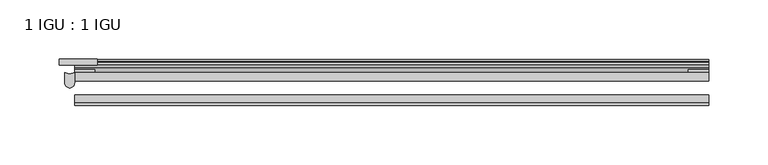
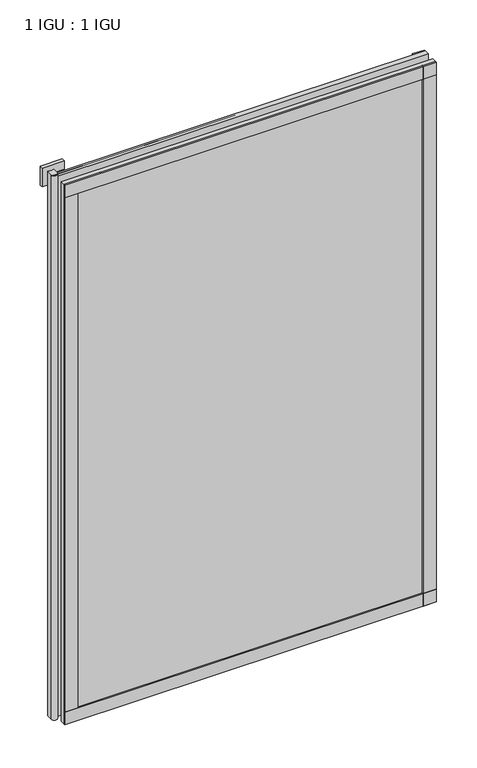
"""IFC4 building model written with IfcOpenShell, lengths in millimetres: plate geometry, 1 IGU : 1 IGU."""

import ifcopenshell
import ifcopenshell.guid

model = None  # the IFC model being written
_history = None  # IfcOwnerHistory: only IFC2X3 demands one
_inside = {}  # id of a spatial element -> (the spatial element, [elements in it])
_under = {}  # id of a project, library or spatial element -> (it, [spatial elements below it])
_declared = {}  # id of a project -> (the project, [libraries it declares])
_typed = {}  # id of a type object -> (the type object, [elements of that type])
_made_of = {}  # id of a material, layer set ... -> (it, [elements and type objects made of it])


def new_model(schema):
    """Start an empty IFC model of exactly this schema.

    Asked for "IFC4X3", IfcOpenShell would pick the latest addendum, in which some entities
    have other attributes; the version numbers below select the first issue.
    IFC2X3 requires an IfcOwnerHistory on every rooted entity: one is made here for all.
    """
    global model, _history
    if schema == "IFC4X3":
        model = ifcopenshell.file(schema_version=(4, 3, 0, 0))
    else:
        model = ifcopenshell.file(schema=schema)
    _inside.clear()
    _under.clear()
    _declared.clear()
    _typed.clear()
    _made_of.clear()
    _history = None
    if model.schema == "IFC2X3":
        org = make("IfcOrganization", Name="unknown")
        user = make(
            "IfcPersonAndOrganization",
            ThePerson=make("IfcPerson", FamilyName="unknown"),
            TheOrganization=org,
        )
        app = make(
            "IfcApplication",
            ApplicationDeveloper=org,
            Version="unknown",
            ApplicationFullName="unknown",
            ApplicationIdentifier="unknown",
        )
        _history = make(
            "IfcOwnerHistory",
            OwningUser=user,
            OwningApplication=app,
            ChangeAction="ADDED",
            CreationDate=0,
        )
    return model


def make(cls, **values):
    """One entity of the class cls with the attributes given. An attribute that is None is left unset."""
    return model.create_entity(
        cls, **{name: value for name, value in values.items() if value is not None}
    )


def rooted(cls, **values):
    """An entity with a GlobalId (a new one), such as an element, a storey or a relation."""
    return make(cls, GlobalId=ifcopenshell.guid.new(), OwnerHistory=_history, **values)


def si_unit(unit_type, name, prefix=None):
    """IfcSIUnit, for example si_unit("LENGTHUNIT", "METRE", prefix="MILLI")."""
    return make("IfcSIUnit", UnitType=unit_type, Prefix=prefix, Name=name)


def assignment(units):
    """IfcUnitAssignment: the units of a project."""
    return None if units is None else make("IfcUnitAssignment", Units=units)


def point(xyz):
    """IfcCartesianPoint."""
    return None if xyz is None else make("IfcCartesianPoint", Coordinates=xyz)


def direction(xyz):
    """IfcDirection."""
    return None if xyz is None else make("IfcDirection", DirectionRatios=xyz)


def frame(location, z_axis=None, x_axis=None):
    """IfcAxis2Placement3D, a coordinate frame: its origin and axes. An axis left out is left unset."""
    return make(
        "IfcAxis2Placement3D",
        Location=point(location),
        Axis=direction(z_axis),
        RefDirection=direction(x_axis),
    )


def frame_2d(location, x_axis=None):
    """IfcAxis2Placement2D, a coordinate frame in the plane: its origin and x axis."""
    return make(
        "IfcAxis2Placement2D", Location=point(location), RefDirection=direction(x_axis)
    )


def origin():
    """The frame at (0, 0, 0) with its axes left unset."""
    return frame((0.0, 0.0, 0.0))


def place(relative_to, where):
    """IfcLocalPlacement: puts the frame where relative to a parent placement (None: the world)."""
    return make(
        "IfcLocalPlacement", PlacementRelTo=relative_to, RelativePlacement=where
    )


def context(
    kind, dimensions, precision=None, world=None, true_north=None, identifier=None
):
    """IfcGeometricRepresentationContext, for example the 3D "Model" context."""
    return make(
        "IfcGeometricRepresentationContext",
        ContextIdentifier=identifier,
        ContextType=kind,
        CoordinateSpaceDimension=dimensions,
        Precision=precision,
        WorldCoordinateSystem=world,
        TrueNorth=true_north,
    )


def project(units=None, contexts=None):
    """IfcProject with its units and contexts."""
    return rooted(
        "IfcProject",
        Name="project",
        RepresentationContexts=contexts,
        UnitsInContext=assignment(units),
    )


def spatial(cls, under=None, at=None, **own):
    """A site, building, storey or space (cls), placed at a placement, below another one or the project."""
    s = rooted(cls, ObjectPlacement=at, **own)
    if under is not None:
        _under.setdefault(under.id(), (under, []))[1].append(s)
    return s


def polyline(points):
    """IfcPolyline through the points."""
    return make("IfcPolyline", Points=[point(p) for p in points])


def circle_curve(where, radius):
    """IfcCircle in the frame where."""
    return make("IfcCircle", Position=where, Radius=radius)


def trimmed(basis, trim1, trim2, sense, master):
    """IfcTrimmedCurve: the piece of a basis curve between two trims."""
    return make(
        "IfcTrimmedCurve",
        BasisCurve=basis,
        Trim1=trim1,
        Trim2=trim2,
        SenseAgreement=sense,
        MasterRepresentation=master,
    )


def segment(curve, same_sense, transition):
    """IfcCompositeCurveSegment."""
    return make(
        "IfcCompositeCurveSegment",
        Transition=transition,
        SameSense=same_sense,
        ParentCurve=curve,
    )


def composite_curve(segments, self_intersect=None):
    """IfcCompositeCurve: segments joined end to end."""
    return make("IfcCompositeCurve", Segments=segments, SelfIntersect=self_intersect)


def outline(outer, holes=None, kind="AREA"):
    """IfcArbitraryClosedProfileDef: a profile drawn as a closed curve; with holes, ...WithVoids."""
    if holes is None:
        return make("IfcArbitraryClosedProfileDef", ProfileType=kind, OuterCurve=outer)
    return make(
        "IfcArbitraryProfileDefWithVoids",
        ProfileType=kind,
        OuterCurve=outer,
        InnerCurves=holes,
    )


def extrude(swept, where, along, depth):
    """IfcExtrudedAreaSolid: the profile swept, set in the frame where, extruded along a direction by depth."""
    return make(
        "IfcExtrudedAreaSolid",
        SweptArea=swept,
        Position=where,
        ExtrudedDirection=direction(along),
        Depth=depth,
    )


def shape(context_of_items, identifier, shape_type, items):
    """IfcShapeRepresentation: the items that make up one representation, for example the "Body"."""
    return make(
        "IfcShapeRepresentation",
        ContextOfItems=context_of_items,
        RepresentationIdentifier=identifier,
        RepresentationType=shape_type,
        Items=items,
    )


def source(mapping_origin, context_of_items, identifier, shape_type, items):
    """IfcRepresentationMap: a shape defined once, which mapped items show again and again."""
    return make(
        "IfcRepresentationMap",
        MappingOrigin=mapping_origin,
        MappedRepresentation=shape(context_of_items, identifier, shape_type, items),
    )


def transform(
    local_origin,
    x_axis=None,
    y_axis=None,
    z_axis=None,
    scale=None,
    scale2=None,
    scale3=None,
    uniform=True,
):
    """IfcCartesianTransformationOperator3D, or its non-uniform kind. x_axis, y_axis, z_axis: its Axis1, 2, 3."""
    if uniform:
        return make(
            "IfcCartesianTransformationOperator3D",
            Axis1=direction(x_axis),
            Axis2=direction(y_axis),
            LocalOrigin=point(local_origin),
            Scale=scale,
            Axis3=direction(z_axis),
        )
    return make(
        "IfcCartesianTransformationOperator3DnonUniform",
        Axis1=direction(x_axis),
        Axis2=direction(y_axis),
        LocalOrigin=point(local_origin),
        Scale=scale,
        Axis3=direction(z_axis),
        Scale2=scale2,
        Scale3=scale3,
    )


def mapped(mapping_source, mapping_target):
    """IfcMappedItem: shows the shape of a source again, moved by a transform."""
    return make(
        "IfcMappedItem", MappingSource=mapping_source, MappingTarget=mapping_target
    )


def made_of(thing, what):
    """Note that an element or type object is made of a material, layer set ...; save() writes the relation."""
    if what is not None:
        _made_of.setdefault(what.id(), (what, []))[1].append(thing)
    return thing


def element(
    cls,
    number,
    at=None,
    inside=None,
    cuts=None,
    type_object=None,
    material=None,
    context=None,
    identifier="Body",
    shape_type=None,
    held_by="IfcProductDefinitionShape",
    body=None,
    shapes=None,
    **own,
):
    """One element of the class cls, such as IfcWall. Its Tag is "e" and its number.

    at: its placement. inside: the storey or other place that contains it. cuts: it is an
    opening in that element (IfcRelVoidsElement). A single representation is given by context,
    identifier, shape_type and body (its items); several are given by shapes. held_by: the class
    of the entity that holds the representations. save() writes the other relations.
    """
    e = rooted(cls, Tag="e%d" % number, ObjectPlacement=at, **own)
    if body is not None:
        shapes = [shape(context, identifier, shape_type, body)]
    if shapes is not None:
        e.Representation = make(held_by, Representations=shapes)
    if inside is not None:
        _inside.setdefault(inside.id(), (inside, []))[1].append(e)
    if cuts is not None:
        rooted(
            "IfcRelVoidsElement", RelatingBuildingElement=cuts, RelatedOpeningElement=e
        )
    if type_object is not None:
        _typed.setdefault(type_object.id(), (type_object, []))[1].append(e)
    return made_of(e, material)


def aggregate(whole, parts):
    """IfcRelAggregates: a whole, such as a stair, and the parts it consists of."""
    return rooted("IfcRelAggregates", RelatingObject=whole, RelatedObjects=parts)


def save(model, path):
    """Write the relations noted so far, then the file.

    IfcRelAggregates (storeys below a building ...), IfcRelContainedInSpatialStructure (elements
    in a storey), IfcRelDefinesByType, IfcRelAssociatesMaterial and IfcRelDeclares: one each for
    every whole, place, type object, material and project.
    """
    for whole, parts in _under.values():
        aggregate(whole, parts)
    for where, things in _inside.values():
        rooted(
            "IfcRelContainedInSpatialStructure",
            RelatedElements=things,
            RelatingStructure=where,
        )
    for kind, things in _typed.values():
        rooted("IfcRelDefinesByType", RelatedObjects=things, RelatingType=kind)
    for what, things in _made_of.values():
        rooted("IfcRelAssociatesMaterial", RelatedObjects=things, RelatingMaterial=what)
    for by, libraries in _declared.values():
        rooted("IfcRelDeclares", RelatingContext=by, RelatedDefinitions=libraries)
    model.write(path)


def plate_1_igu_1_igu_07a0be3b(model_context):
    return source(origin(), model_context, "Body", "SweptSolid", [
        extrude(outline(polyline([(266.7, -11.6085937), (266.7, -18.8576359), (-266.7, -18.8576359), (-266.7, -11.6085937), (266.7, -11.6085937)])), frame((0.0, 0.0, -19.05), z_axis=(0.0, 0.0, 1.0), x_axis=(1.0, 0.0, 0.0)), (0.0, 0.0, 1.0), 819.1500001),
        extrude(outline(polyline([(-266.7, -30.7093937), (266.7, -30.7093937), (266.7, -37.0085937), (-266.7, -37.0085937), (-266.7, -30.7093937)])), frame((0.0, 0.0, -19.05), z_axis=(0.0, 0.0, 1.0), x_axis=(1.0, 0.0, 0.0)), (0.0, 0.0, 1.0), 819.1500001),
        extrude(outline(polyline([(-279.4, -5.3578125), (-279.4, -0.4960938), (-247.65, -0.4960938), (-247.65, -5.3578125), (-279.4, -5.3578125)])), frame((0.0, 0.0, 781.0500001), z_axis=(0.0, 0.0, 1.0), x_axis=(1.0, 0.0, 0.0)), (0.0, 0.0, 1.0), 28.575),
        extrude(outline(composite_curve([segment(trimmed(circle_curve(frame_2d((-270.7937298, -4.9389529)), 7.8257736), [point((-274.8874596, -11.6085937))], [point((-266.7, -11.6085937))], True, "CARTESIAN"), True, "CONTINUOUS"), segment(polyline([(-266.7, -11.6085937), (-266.7, -20.4985937)]), True, "CONTINUOUS"), segment(trimmed(circle_curve(frame_2d((-270.7937298, -20.4985937)), 4.0937298), [point((-266.7, -20.4985937))], [point((-274.8874596, -20.4985937))], False, "CARTESIAN"), True, "CONTINUOUS"), segment(polyline([(-274.8874596, -20.4985937), (-274.8874596, -11.6085937)]), True, "CONTINUOUS")], self_intersect=False)), frame((0.0, 0.0, -19.05), z_axis=(0.0, 0.0, 1.0), x_axis=(1.0, 0.0, 0.0)), (0.0, 0.0, 1.0), 826.2874001),
        extrude(outline(polyline([(-11.6085937, -15.24), (-11.6085937, 2.8161565), (-0.5298609, 1.2591422), (-0.5298609, -0.6645794), (-5.258589, 0.0), (-5.258589, -4.826), (-1.575589, -4.826), (-1.575589, -7.874), (-5.258589, -7.874), (-5.258589, -13.208), (-3.099589, -13.208), (-3.099589, -15.24), (-11.6085937, -15.24)])), frame((-266.7, 0.0, 0.0), z_axis=(1.0, 0.0, 0.0), x_axis=(0.0, 1.0, 0.0)), (0.0, 0.0, 1.0), 533.4),
        extrude(outline(polyline([(-266.7, -39.2945937), (-266.7, -37.0085937), (266.7, -37.0085937), (266.7, -39.2945937), (-266.7, -39.2945937)])), frame((0.0, 0.0, -19.05), z_axis=(0.0, 0.0, 1.0), x_axis=(1.0, 0.0, 0.0)), (0.0, 0.0, 1.0), 19.05),
        extrude(outline(composite_curve([segment(trimmed(circle_curve(frame_2d((-6.5285937, 792.521876)), 1.27), [point((-7.4547667, 793.390843))], [point((-5.2585937, 792.521876))], False, "CARTESIAN"), True, "CONTINUOUS"), segment(polyline([(-5.2585937, 792.521876), (-5.2585937, 789.3050001), (-3.3544944, 786.6297863), (-5.2585937, 786.284551), (-5.2585937, 781.0500001), (-2.385052, 781.0500001)]), True, "CONTINUOUS"), segment(trimmed(circle_curve(frame_2d((-3.2589487, 780.5317718)), 1.016), [point((-2.385052, 781.0500001))], [point((-3.236916, 779.5160107))], False, "CARTESIAN"), True, "CONTINUOUS"), segment(trimmed(circle_curve(frame_2d((-2.5575611, 748.1961025)), 31.3272753), [point((-3.236916, 779.5160107))], [point((-11.6085937, 778.1873843))], True, "CARTESIAN"), True, "CONTINUOUS"), segment(polyline([(-11.6085937, 778.1873843), (-11.6085937, 788.9635609), (-7.4547667, 793.390843)]), True, "CONTINUOUS")], self_intersect=False)), frame((-266.7, 0.0, 0.0), z_axis=(1.0, 0.0, 0.0), x_axis=(0.0, 1.0, 0.0)), (0.0, 0.0, 1.0), 533.4),
        extrude(outline(polyline([(-266.7, -39.2945937), (-266.7, -37.0085937), (266.7, -37.0085937), (266.7, -39.2945937), (-266.7, -39.2945937)])), frame((0.0, 0.0, 781.0500001), z_axis=(0.0, 0.0, 1.0), x_axis=(1.0, 0.0, 0.0)), (0.0, 0.0, 1.0), 19.05),
        extrude(outline(polyline([(247.65, -37.0085937), (266.7, -37.0085937), (266.7, -39.2945938), (247.65, -39.2945938), (247.65, -37.0085937)])), frame((0.0, 0.0, -19.05), z_axis=(0.0, 0.0, 1.0), x_axis=(1.0, 0.0, 0.0)), (0.0, 0.0, 1.0), 819.1500001),
        extrude(outline(polyline([(266.7, -9.3247196), (266.7, -11.6085937), (249.6185, -11.6085937), (249.6185, -9.3247196), (266.7, -9.3247196)])), frame((0.0, 0.0, -19.05), z_axis=(0.0, 0.0, 1.0), x_axis=(1.0, 0.0, 0.0)), (0.0, 0.0, 1.0), 819.1500001),
        extrude(outline(polyline([(-266.7, -39.2945937), (-266.7, -37.0085937), (-247.65, -37.0085937), (-247.65, -39.2945937), (-266.7, -39.2945937)])), frame((0.0, 0.0, -19.05), z_axis=(0.0, 0.0, 1.0), x_axis=(1.0, 0.0, 0.0)), (0.0, 0.0, 1.0), 819.1500001),
        extrude(outline(polyline([(-266.7, -11.6107196), (-266.7, -9.2273437), (-249.6185, -9.2273437), (-249.6185, -11.6107196), (-266.7, -11.6107196)])), frame((0.0, 0.0, -19.05), z_axis=(0.0, 0.0, 1.0), x_axis=(1.0, 0.0, 0.0)), (0.0, 0.0, 1.0), 819.1500001),
    ])


if __name__ == "__main__":
    model = new_model("IFC4")
    model_context = context("Model", 3, world=origin())
    ifc_project = project(units=[si_unit("LENGTHUNIT", "METRE", prefix="MILLI")], contexts=[model_context])
    site = spatial("IfcSite", under=ifc_project)
    building = spatial("IfcBuilding", under=site)
    placement = place(None, origin())
    plate_1_igu_1_igu_shape = plate_1_igu_1_igu_07a0be3b(model_context)
    element("IfcPlate", 1, ObjectType="1 IGU : 1 IGU", at=placement, inside=building, context=model_context, shape_type="MappedRepresentation", body=[
        mapped(plate_1_igu_1_igu_shape, transform((0.0, 0.0, 0.0), x_axis=(1.0, 0.0, 0.0), y_axis=(0.0, 1.0, 0.0), z_axis=(0.0, 0.0, 1.0))),
    ])
    save(model, "model.ifc")
